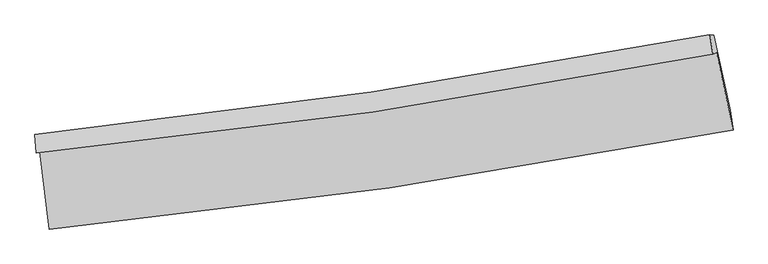
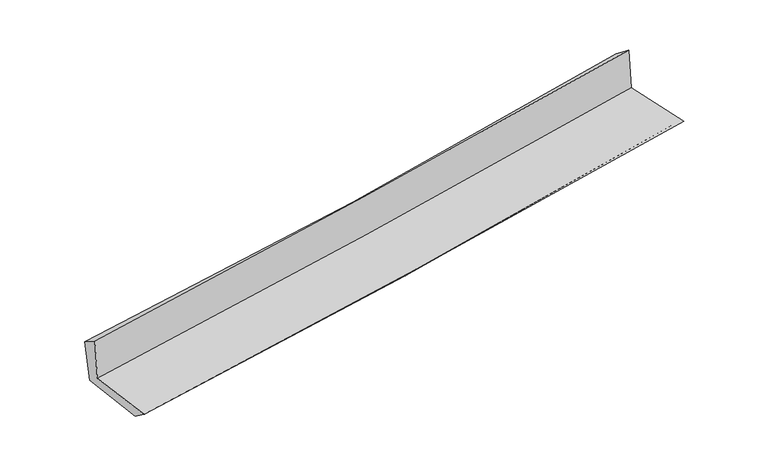
"""IFC4 building model written with IfcOpenShell, lengths in millimetres: proxy geometry."""

import ifcopenshell
import ifcopenshell.guid

model = None  # the IFC model being written
_history = None  # IfcOwnerHistory: only IFC2X3 demands one
_inside = {}  # id of a spatial element -> (the spatial element, [elements in it])
_under = {}  # id of a project, library or spatial element -> (it, [spatial elements below it])
_declared = {}  # id of a project -> (the project, [libraries it declares])
_typed = {}  # id of a type object -> (the type object, [elements of that type])
_made_of = {}  # id of a material, layer set ... -> (it, [elements and type objects made of it])


def new_model(schema):
    """Start an empty IFC model of exactly this schema.

    Asked for "IFC4X3", IfcOpenShell would pick the latest addendum, in which some entities
    have other attributes; the version numbers below select the first issue.
    IFC2X3 requires an IfcOwnerHistory on every rooted entity: one is made here for all.
    """
    global model, _history
    if schema == "IFC4X3":
        model = ifcopenshell.file(schema_version=(4, 3, 0, 0))
    else:
        model = ifcopenshell.file(schema=schema)
    _inside.clear()
    _under.clear()
    _declared.clear()
    _typed.clear()
    _made_of.clear()
    _history = None
    if model.schema == "IFC2X3":
        org = make("IfcOrganization", Name="unknown")
        user = make(
            "IfcPersonAndOrganization",
            ThePerson=make("IfcPerson", FamilyName="unknown"),
            TheOrganization=org,
        )
        app = make(
            "IfcApplication",
            ApplicationDeveloper=org,
            Version="unknown",
            ApplicationFullName="unknown",
            ApplicationIdentifier="unknown",
        )
        _history = make(
            "IfcOwnerHistory",
            OwningUser=user,
            OwningApplication=app,
            ChangeAction="ADDED",
            CreationDate=0,
        )
    return model


def make(cls, **values):
    """One entity of the class cls with the attributes given. An attribute that is None is left unset."""
    return model.create_entity(
        cls, **{name: value for name, value in values.items() if value is not None}
    )


def rooted(cls, **values):
    """An entity with a GlobalId (a new one), such as an element, a storey or a relation."""
    return make(cls, GlobalId=ifcopenshell.guid.new(), OwnerHistory=_history, **values)


def si_unit(unit_type, name, prefix=None):
    """IfcSIUnit, for example si_unit("LENGTHUNIT", "METRE", prefix="MILLI")."""
    return make("IfcSIUnit", UnitType=unit_type, Prefix=prefix, Name=name)


def assignment(units):
    """IfcUnitAssignment: the units of a project."""
    return None if units is None else make("IfcUnitAssignment", Units=units)


def point(xyz):
    """IfcCartesianPoint."""
    return None if xyz is None else make("IfcCartesianPoint", Coordinates=xyz)


def direction(xyz):
    """IfcDirection."""
    return None if xyz is None else make("IfcDirection", DirectionRatios=xyz)


def frame(location, z_axis=None, x_axis=None):
    """IfcAxis2Placement3D, a coordinate frame: its origin and axes. An axis left out is left unset."""
    return make(
        "IfcAxis2Placement3D",
        Location=point(location),
        Axis=direction(z_axis),
        RefDirection=direction(x_axis),
    )


def origin():
    """The frame at (0, 0, 0) with its axes left unset."""
    return frame((0.0, 0.0, 0.0))


def place(relative_to, where):
    """IfcLocalPlacement: puts the frame where relative to a parent placement (None: the world)."""
    return make(
        "IfcLocalPlacement", PlacementRelTo=relative_to, RelativePlacement=where
    )


def context(
    kind, dimensions, precision=None, world=None, true_north=None, identifier=None
):
    """IfcGeometricRepresentationContext, for example the 3D "Model" context."""
    return make(
        "IfcGeometricRepresentationContext",
        ContextIdentifier=identifier,
        ContextType=kind,
        CoordinateSpaceDimension=dimensions,
        Precision=precision,
        WorldCoordinateSystem=world,
        TrueNorth=true_north,
    )


def project(units=None, contexts=None):
    """IfcProject with its units and contexts."""
    return rooted(
        "IfcProject",
        Name="project",
        RepresentationContexts=contexts,
        UnitsInContext=assignment(units),
    )


def spatial(cls, under=None, at=None, **own):
    """A site, building, storey or space (cls), placed at a placement, below another one or the project."""
    s = rooted(cls, ObjectPlacement=at, **own)
    if under is not None:
        _under.setdefault(under.id(), (under, []))[1].append(s)
    return s


def shape(context_of_items, identifier, shape_type, items):
    """IfcShapeRepresentation: the items that make up one representation, for example the "Body"."""
    return make(
        "IfcShapeRepresentation",
        ContextOfItems=context_of_items,
        RepresentationIdentifier=identifier,
        RepresentationType=shape_type,
        Items=items,
    )


def source(mapping_origin, context_of_items, identifier, shape_type, items):
    """IfcRepresentationMap: a shape defined once, which mapped items show again and again."""
    return make(
        "IfcRepresentationMap",
        MappingOrigin=mapping_origin,
        MappedRepresentation=shape(context_of_items, identifier, shape_type, items),
    )


def transform(
    local_origin,
    x_axis=None,
    y_axis=None,
    z_axis=None,
    scale=None,
    scale2=None,
    scale3=None,
    uniform=True,
):
    """IfcCartesianTransformationOperator3D, or its non-uniform kind. x_axis, y_axis, z_axis: its Axis1, 2, 3."""
    if uniform:
        return make(
            "IfcCartesianTransformationOperator3D",
            Axis1=direction(x_axis),
            Axis2=direction(y_axis),
            LocalOrigin=point(local_origin),
            Scale=scale,
            Axis3=direction(z_axis),
        )
    return make(
        "IfcCartesianTransformationOperator3DnonUniform",
        Axis1=direction(x_axis),
        Axis2=direction(y_axis),
        LocalOrigin=point(local_origin),
        Scale=scale,
        Axis3=direction(z_axis),
        Scale2=scale2,
        Scale3=scale3,
    )


def mapped(mapping_source, mapping_target):
    """IfcMappedItem: shows the shape of a source again, moved by a transform."""
    return make(
        "IfcMappedItem", MappingSource=mapping_source, MappingTarget=mapping_target
    )


def made_of(thing, what):
    """Note that an element or type object is made of a material, layer set ...; save() writes the relation."""
    if what is not None:
        _made_of.setdefault(what.id(), (what, []))[1].append(thing)
    return thing


def element(
    cls,
    number,
    at=None,
    inside=None,
    cuts=None,
    type_object=None,
    material=None,
    context=None,
    identifier="Body",
    shape_type=None,
    held_by="IfcProductDefinitionShape",
    body=None,
    shapes=None,
    **own,
):
    """One element of the class cls, such as IfcWall. Its Tag is "e" and its number.

    at: its placement. inside: the storey or other place that contains it. cuts: it is an
    opening in that element (IfcRelVoidsElement). A single representation is given by context,
    identifier, shape_type and body (its items); several are given by shapes. held_by: the class
    of the entity that holds the representations. save() writes the other relations.
    """
    e = rooted(cls, Tag="e%d" % number, ObjectPlacement=at, **own)
    if body is not None:
        shapes = [shape(context, identifier, shape_type, body)]
    if shapes is not None:
        e.Representation = make(held_by, Representations=shapes)
    if inside is not None:
        _inside.setdefault(inside.id(), (inside, []))[1].append(e)
    if cuts is not None:
        rooted(
            "IfcRelVoidsElement", RelatingBuildingElement=cuts, RelatedOpeningElement=e
        )
    if type_object is not None:
        _typed.setdefault(type_object.id(), (type_object, []))[1].append(e)
    return made_of(e, material)


def aggregate(whole, parts):
    """IfcRelAggregates: a whole, such as a stair, and the parts it consists of."""
    return rooted("IfcRelAggregates", RelatingObject=whole, RelatedObjects=parts)


def save(model, path):
    """Write the relations noted so far, then the file.

    IfcRelAggregates (storeys below a building ...), IfcRelContainedInSpatialStructure (elements
    in a storey), IfcRelDefinesByType, IfcRelAssociatesMaterial and IfcRelDeclares: one each for
    every whole, place, type object, material and project.
    """
    for whole, parts in _under.values():
        aggregate(whole, parts)
    for where, things in _inside.values():
        rooted(
            "IfcRelContainedInSpatialStructure",
            RelatedElements=things,
            RelatingStructure=where,
        )
    for kind, things in _typed.values():
        rooted("IfcRelDefinesByType", RelatedObjects=things, RelatingType=kind)
    for what, things in _made_of.values():
        rooted("IfcRelAssociatesMaterial", RelatedObjects=things, RelatingMaterial=what)
    for by, libraries in _declared.values():
        rooted("IfcRelDeclares", RelatingContext=by, RelatedDefinitions=libraries)
    model.write(path)


def plane_surface(at):
    """IfcPlane: the flat surface through the origin of the frame at, square to its z axis."""
    return make("IfcPlane", Position=at)


def spline_curve(degree, points, multiplicities, knots, weights=None):
    """IfcBSplineCurveWithKnots; with weights, IfcRationalBSplineCurveWithKnots."""
    own = dict(
        Degree=degree,
        ControlPointsList=[point(p) for p in points],
        CurveForm="UNSPECIFIED",
        ClosedCurve=False,
        SelfIntersect=False,
        KnotMultiplicities=multiplicities,
        Knots=knots,
        KnotSpec="UNSPECIFIED",
    )
    if weights is None:
        return make("IfcBSplineCurveWithKnots", **own)
    return make("IfcRationalBSplineCurveWithKnots", WeightsData=weights, **own)


def spline_surface(u_degree, v_degree, points, u_multiplicities, v_multiplicities, u_knots, v_knots, weights=None):
    """IfcBSplineSurfaceWithKnots; with weights, IfcRationalBSplineSurfaceWithKnots. points: one row for each step in u."""
    own = dict(
        UDegree=u_degree,
        VDegree=v_degree,
        ControlPointsList=[[point(p) for p in row] for row in points],
        SurfaceForm="UNSPECIFIED",
        UClosed=False,
        VClosed=False,
        SelfIntersect=False,
        UMultiplicities=u_multiplicities,
        VMultiplicities=v_multiplicities,
        UKnots=u_knots,
        VKnots=v_knots,
        KnotSpec="UNSPECIFIED",
    )
    if weights is None:
        return make("IfcBSplineSurfaceWithKnots", **own)
    return make("IfcRationalBSplineSurfaceWithKnots", WeightsData=weights, **own)


def advanced_brep(points, edges, surfaces, faces):
    """IfcAdvancedBrep: a solid bounded by faces that lie on surfaces and meet in shared edges.

    An edge is (start, end): straight between two places in points (the first is 0);
    or (start, end, curve); or (start, end, curve, False) where it runs against its curve.
    A face is (place in surfaces, loops), or (place, loops, False) where it looks against
    its surface's normal. A loop lists edges by number (the first is 1), with a minus sign
    where the edge is run from its end to its start. The first loop is the outer one.
    """
    corners = [point(p) for p in points]
    vertices = [make("IfcVertexPoint", VertexGeometry=c) for c in corners]
    made = []
    for start, end, *more in edges:
        made.append(
            make(
                "IfcEdgeCurve",
                EdgeStart=vertices[start],
                EdgeEnd=vertices[end],
                EdgeGeometry=more[0] if more else make("IfcPolyline", Points=[corners[start], corners[end]]),
                SameSense=more[1] if len(more) > 1 else True,
            )
        )
    hull = []
    for where, loops, *sense in faces:
        bounds = []
        for j, loop in enumerate(loops):
            ring = [make("IfcOrientedEdge", EdgeElement=made[abs(k) - 1], Orientation=k > 0) for k in loop]
            bounds.append(
                make(
                    "IfcFaceOuterBound" if j == 0 else "IfcFaceBound",
                    Bound=make("IfcEdgeLoop", EdgeList=ring),
                    Orientation=True,
                )
            )
        hull.append(make("IfcAdvancedFace", Bounds=bounds, FaceSurface=surfaces[where], SameSense=sense[0] if sense else True))
    return make("IfcAdvancedBrep", Outer=make("IfcClosedShell", CfsFaces=hull))


def generic_models_b07a391e(model_context):
    return source(origin(), model_context, "Body", "AdvancedBrep", [
        advanced_brep(
        [(-2896.4311368, -1901.8399877, 1627.0679443), (-2815.9894623, -2562.0698296, 1623.9070741), (2995.4874803, -1716.0387208, 2135.3350461), (2854.9397015, -1060.8249691, 2133.7303538), (-2926.9499237, -1913.8756369, 2031.3048903), (2824.0019261, -1073.0258542, 2543.5170164), (-2938.2830086, -1757.6906403, 1934.7707108), (2799.0423434, -907.7330465, 2414.9298423), (-2903.7844354, -1782.6205088, 1536.9808304), (2831.467219, -909.9686073, 2024.8343764), (-2824.8197982, -2424.1895295, 1523.8405304), (2971.2916862, -1549.4889531, 1994.1252296)],
        [
            (0, 1),
            (1, 2, spline_curve(3, [(-2815.9894623, -2562.0698296, 1623.9070741), (-1851.135721097, -2468.398189645, 1731.185534462), (-888.120197068, -2351.778062415, 1827.203855595), (1049.096067796, -2070.482834957, 1998.030745056), (2023.239524694, -1905.092592351, 2072.488414506), (2995.4874803, -1716.0387208, 2135.3350461)], [4, 2, 4], [0.0, 9.550734103172717, 19.249140939740435])),
            (2, 3),
            (3, 0, spline_curve(3, [(2854.9397015, -1060.8249691, 2133.7303538), (1893.865199267, -1246.677911863, 2071.809225976), (930.351598738, -1410.055522297, 1998.214005609), (-986.845726373, -1689.714631805, 1828.973731082), (-1940.455738599, -1806.675360754, 1733.681481917), (-2896.4311368, -1901.8399877, 1627.0679443)], [4, 2, 4], [0.0, 9.698406836567719, 19.249140939740435])),
            (4, 0),
            (3, 5),
            (5, 4, spline_curve(3, [(2824.0019261, -1073.0258542, 2543.5170164), (1862.85596875, -1258.906976634, 2482.542348648), (899.342368325, -1422.284587232, 2408.947128141), (-1017.713134769, -1701.88776615, 2237.828345016), (-1971.183484017, -1818.793416414, 2140.686190259), (-2926.9499237, -1913.8756369, 2031.3048903)], [4, 2, 4], [0.0, 9.648477772388445, 19.150043055977463])),
            (6, 4),
            (5, 7),
            (7, 6, spline_curve(3, [(2799.0423434, -907.7330465, 2414.9298423), (1842.116273182, -1090.562790427, 2332.176697876), (881.849460951, -1253.197090423, 2250.488000871), (-1030.693284308, -1535.905958985, 2090.467125984), (-1982.868255691, -1656.590856848, 2012.102779228), (-2938.2830086, -1757.6906403, 1934.7707108)], [4, 2, 4], [0.0, 9.635271698062692, 19.12383198953729])),
            (8, 6),
            (7, 9),
            (9, 8, spline_curve(3, [(2831.467219, -909.9686073, 2024.8343764), (1873.734592797, -1089.013769411, 1943.356707131), (913.243065942, -1251.69061651, 1861.649778084), (-998.590862694, -1542.079914508, 1699.025000608), (-1949.849887317, -1670.287034461, 1618.114081245), (-2903.7844354, -1782.6205088, 1536.9808304)], [4, 2, 4], [0.0, 9.623740655375919, 19.100945481515897])),
            (10, 8),
            (9, 11),
            (11, 10, spline_curve(3, [(2971.2916862, -1549.4889531, 1994.1252296), (2002.995865311, -1732.149906084, 1907.952184732), (1032.11349294, -1896.794131433, 1825.402198748), (-900.001837214, -2187.816503857, 1668.750125231), (-1861.156626151, -2314.739137402, 1594.538544806), (-2824.8197982, -2424.1895295, 1523.8405304)], [4, 2, 4], [0.0, 9.673730624268067, 19.200164247339373])),
            (1, 10),
            (11, 2),
        ],
        [
            spline_surface(3, 3, [[(-2896.4311368, -1901.8399877, 1627.0679443), (-1940.45573854, -1806.675360644, 1733.681481987), (-986.845726371, -1689.714631714, 1828.973731222), (930.351598736, -1410.055522389, 1998.214005467), (1893.865199332, -1246.677911768, 2071.809226076), (2854.9397015, -1060.8249691, 2133.7303538)], [(-2869.6172453, -2121.916601674, 1626.014320879), (-1910.68239942, -2027.249636972, 1732.849499413), (-953.937216641, -1910.402441998, 1828.383772678), (969.933088459, -1630.197959876, 1998.152918671), (1936.989974477, -1466.149471939, 2072.035622199), (2901.7889611, -1279.229552995, 2134.265251225)], [(-2842.8033538, -2341.993215626, 1624.960697521), (-1880.909060301, -2247.823913278, 1732.0175169), (-921.028706907, -2131.090252259, 1827.793814124), (1009.514578184, -1850.34039734, 1998.091831866), (1980.114749621, -1685.621032126, 2072.262018348), (2948.6382207, -1497.634136905, 2134.800148675)], [(-2815.9894623, -2562.0698296, 1623.9070741), (-1851.135721181, -2468.398189606, 1731.185534326), (-888.120197176, -2351.778062543, 1827.20385558), (1049.096067906, -2070.482834827, 1998.030745071), (2023.239524766, -1905.092592298, 2072.488414471), (2995.4874803, -1716.0387208, 2135.3350461)]], [4, 4], [4, 2, 4], [0.0, 2.1986186746324576], [0.0, 9.550734103172717, 19.249140939740435]),
            spline_surface(3, 3, [[(-2926.9499237, -1913.8756369, 2031.3048903), (-1971.183483955, -1818.793416507, 2140.686190416), (-1017.713134637, -1701.887766231, 2237.828345124), (899.34236819, -1422.28458715, 2408.947128032), (1862.855968786, -1258.906976529, 2482.542348642), (2824.0019261, -1073.0258542, 2543.5170164)], [(-2916.776994722, -1909.863753831, 1896.559241653), (-1960.940902139, -1814.75406455, 2005.017954292), (-1007.423998546, -1697.830054733, 2101.543473813), (909.678778375, -1418.208232237, 2272.036087166), (1873.19237897, -1254.830621616, 2345.631307776), (2834.314517903, -1068.958892507, 2406.921462189)], [(-2906.604065778, -1905.851870769, 1761.813592947), (-1950.698320356, -1810.714712601, 1869.34971811), (-997.134862462, -1693.772343212, 1965.258602533), (920.015188552, -1414.131877302, 2135.125046332), (1883.528789147, -1250.754266681, 2208.720266942), (2844.627109697, -1064.891930793, 2270.325908011)], [(-2896.4311368, -1901.8399877, 1627.0679443), (-1940.45573854, -1806.675360644, 1733.681481987), (-986.845726371, -1689.714631714, 1828.973731222), (930.351598736, -1410.055522389, 1998.214005467), (1893.865199332, -1246.677911768, 2071.809226076), (2854.9397015, -1060.8249691, 2133.7303538)]], [4, 4], [4, 2, 4], [0.0, 1.348935244770991], [0.0, 9.501565283589018, 19.150043055977463]),
            spline_surface(3, 3, [[(-2938.2830086, -1757.6906403, 1934.7707108), (-1982.868255731, -1656.590856807, 2012.102779129), (-1030.693284218, -1535.905958988, 2090.467125915), (881.84946086, -1253.19709042, 2250.488000941), (1842.11627329, -1090.562790311, 2332.176697981), (2799.0423434, -907.7330465, 2414.9298423)], [(-2934.505313632, -1809.752305838, 1966.948770608), (-1978.973331804, -1710.658376711, 2054.963916199), (-1026.366567693, -1591.233228052, 2139.587532331), (887.680429968, -1309.559589313, 2303.307709985), (1849.029505104, -1146.677519056, 2382.29858153), (2807.362204282, -962.830649073, 2457.792233662)], [(-2930.727618668, -1861.813971362, 1999.126830492), (-1975.078407882, -1764.725896602, 2097.825053346), (-1022.039851162, -1646.560497167, 2188.707938707), (893.511399081, -1365.922088257, 2356.127418988), (1855.942736971, -1202.792247783, 2432.420465093), (2815.682065218, -1017.928251627, 2500.654625038)], [(-2926.9499237, -1913.8756369, 2031.3048903), (-1971.183483955, -1818.793416507, 2140.686190416), (-1017.713134637, -1701.887766231, 2237.828345124), (899.34236819, -1422.28458715, 2408.947128032), (1862.855968786, -1258.906976529, 2482.542348642), (2824.0019261, -1073.0258542, 2543.5170164)]], [4, 4], [4, 2, 4], [0.0, 0.7460990575613031], [0.0, 9.488560291474599, 19.12383198953729]),
            spline_surface(3, 3, [[(-2903.7844354, -1782.6205088, 1536.9808304), (-1949.849887211, -1670.28703456, 1618.114081259), (-998.59086268, -1542.079914511, 1699.025000751), (913.243065927, -1251.690616506, 1861.649777939), (1873.734592846, -1089.013769408, 1943.35670706), (2831.467219, -909.9686073, 2024.8343764)], [(-2915.28395981, -1774.310552611, 1669.577457221), (-1960.856010061, -1665.721641954, 1749.443647237), (-1009.29166986, -1540.02192935, 1829.505709147), (902.778530904, -1252.19277449, 1991.262518947), (1863.195153004, -1089.530109694, 2072.963370699), (2820.658927144, -909.223420352, 2154.866198365)], [(-2926.78348419, -1766.000596489, 1802.174083979), (-1971.86213288, -1661.156249413, 1880.773213151), (-1019.992477038, -1537.96394415, 1959.986417519), (892.313995883, -1252.694932436, 2120.875259932), (1852.655713131, -1090.046450025, 2202.570034343), (2809.850635256, -908.478233448, 2284.898020335)], [(-2938.2830086, -1757.6906403, 1934.7707108), (-1982.868255731, -1656.590856807, 2012.102779129), (-1030.693284218, -1535.905958988, 2090.467125915), (881.84946086, -1253.19709042, 2250.488000941), (1842.11627329, -1090.562790311, 2332.176697981), (2799.0423434, -907.7330465, 2414.9298423)]], [4, 4], [4, 2, 4], [0.0, 1.2841742115713415], [0.0, 9.477204826139978, 19.100945481515897]),
            spline_surface(3, 3, [[(-2824.8197982, -2424.1895295, 1523.8405304), (-1861.156626063, -2314.739137472, 1594.538544853), (-900.001837158, -2187.816504008, 1668.750125274), (1032.113492884, -1896.794131279, 1825.402198705), (2002.995865392, -1732.14990596, 1907.952184661), (2971.2916862, -1549.4889531, 1994.1252296)], [(-2851.141343926, -2210.333189278, 1528.220630398), (-1890.721046439, -2099.921769846, 1602.397056986), (-932.864845655, -1972.57097418, 1678.841750412), (992.490017242, -1681.759626359, 1837.484725095), (1959.908774532, -1517.771193787, 1919.75369214), (2924.683530455, -1336.315504511, 2004.361611879)], [(-2877.462889674, -1996.476849022, 1532.600730402), (-1920.285466836, -1885.104402186, 1610.255569126), (-965.727854183, -1757.325444339, 1688.933375613), (952.866541569, -1466.725121426, 1849.567251548), (1916.821683706, -1303.392481582, 1931.555199581), (2878.075374745, -1123.142055889, 2014.597994121)], [(-2903.7844354, -1782.6205088, 1536.9808304), (-1949.849887211, -1670.28703456, 1618.114081259), (-998.59086268, -1542.079914511, 1699.025000751), (913.243065927, -1251.690616506, 1861.649777939), (1873.734592846, -1089.013769408, 1943.35670706), (2831.467219, -909.9686073, 2024.8343764)]], [4, 4], [4, 2, 4], [0.0, 2.150203843482057], [0.0, 9.526433623071306, 19.200164247339373]),
            spline_surface(3, 3, [[(-2815.9894623, -2562.0698296, 1623.9070741), (-1851.135721181, -2468.398189606, 1731.185534326), (-888.120197176, -2351.778062543, 1827.20385558), (1049.096067906, -2070.482834827, 1998.030745071), (2023.239524766, -1905.092592298, 2072.488414471), (2995.4874803, -1716.0387208, 2135.3350461)], [(-2818.93290761, -2516.109729568, 1590.551559541), (-1854.476022818, -2417.178505562, 1685.636537842), (-892.080743847, -2297.124209683, 1774.385945485), (1043.435209555, -2012.586600295, 1940.487896289), (2016.491638324, -1847.445030181, 2017.643004547), (2987.422215616, -1660.522131562, 2088.265107279)], [(-2821.87635289, -2470.149629532, 1557.196044959), (-1857.816324426, -2365.958821515, 1640.087541336), (-896.041290488, -2242.470356869, 1721.568035369), (1037.774351235, -1954.690365811, 1882.945047486), (2009.743751834, -1789.797468077, 1962.797594585), (2979.356950884, -1605.005542338, 2041.195168421)], [(-2824.8197982, -2424.1895295, 1523.8405304), (-1861.156626063, -2314.739137472, 1594.538544853), (-900.001837158, -2187.816504008, 1668.750125274), (1032.113492884, -1896.794131279, 1825.402198705), (2002.995865392, -1732.14990596, 1907.952184661), (2971.2916862, -1549.4889531, 1994.1252296)]], [4, 4], [4, 2, 4], [0.0, 0.7776021174540081], [0.0, 9.58683047707729, 19.321891806971877]),
            plane_surface(frame((2879.3717261, -1202.8466918, 2207.7453108), z_axis=(0.9745990671473324, 0.20925355119631367, 0.07980983415144641), x_axis=(-0.08283334947861082, 0.00571101629322652, 0.9965470488175924))),
            plane_surface(frame((-2884.3762942, -2057.0476888, 1712.9786634), z_axis=(-0.9896569471298635, -0.1202038678345929, -0.07829532013602462), x_axis=(-0.1209431429561521, 0.9926480602447745, 0.004752332498313059))),
        ],
        [
            (0, [[1, 2, 3, 4]]),
            (1, [[5, -4, 6, 7]]),
            (2, [[8, -7, 9, 10]]),
            (3, [[11, -10, 12, 13]]),
            (4, [[14, -13, 15, 16]]),
            (5, [[17, -16, 18, -2]]),
            (6, [[-12, -9, -6, -3, -18, -15]]),
            (7, [[-1, -5, -8, -11, -14, -17]]),
        ],
    ),
    ])


if __name__ == "__main__":
    model = new_model("IFC4")
    model_context = context("Model", 3, world=origin())
    ifc_project = project(units=[si_unit("LENGTHUNIT", "METRE", prefix="MILLI")], contexts=[model_context])
    site = spatial("IfcSite", under=ifc_project)
    building = spatial("IfcBuilding", under=site)
    placement = place(None, origin())
    generic_models_shape = generic_models_b07a391e(model_context)
    element("IfcBuildingElementProxy", 1, Name="Generic Models", at=placement, inside=building, context=model_context, shape_type="MappedRepresentation", body=[
        mapped(generic_models_shape, transform((0.0, 0.0, 0.0), x_axis=(1.0, 0.0, 0.0), y_axis=(0.0, 1.0, 0.0), z_axis=(0.0, 0.0, 1.0))),
    ])
    save(model, "model.ifc")
